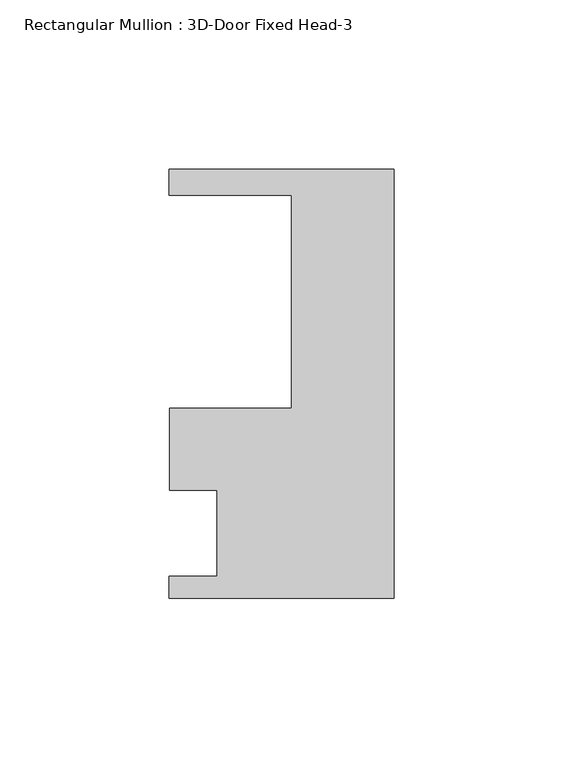
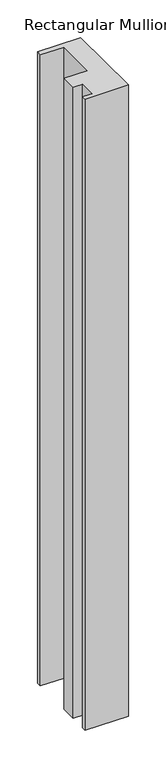
"""IFC4 building model written with IfcOpenShell, lengths in millimetres: member geometry, Rectangular Mullion : 3D-Door Fixed Head-3."""

from ifc_helpers import new_model, si_unit, frame, origin, place, context, project, spatial, polyline, outline, extrude, source, transform, mapped, element, save


def rectangular_mullion_3d_door_fixed_head_3_c7bcafb0(model_context):
    return source(origin(), model_context, "Body", "SweptSolid", [
        extrude(outline(polyline([(0.0, 53.9750004), (0.0, -73.0250004), (-66.6749995, -73.0250004), (-66.6749995, -66.4463651), (-52.3874994, -66.4463651), (-52.3874994, -41.0463651), (-66.4209994, -41.0463651), (-66.4209994, -16.8593135), (-30.3529994, -16.8593135), (-30.3529994, 46.1623786), (-66.6749994, 46.1623786), (-66.6749994, 53.9750004), (0.0, 53.9750004)])), frame((0.0, 0.0, -1025.9141288), z_axis=(0.0, 0.0, 1.0), x_axis=(1.0, 0.0, 0.0)), (0.0, 0.0, 1.0), 1025.9141288),
    ])


if __name__ == "__main__":
    model = new_model("IFC4")
    model_context = context("Model", 3, world=origin())
    ifc_project = project(units=[si_unit("LENGTHUNIT", "METRE", prefix="MILLI")], contexts=[model_context])
    site = spatial("IfcSite", under=ifc_project)
    building = spatial("IfcBuilding", under=site)
    placement = place(None, origin())
    rectangular_mullion_3d_door_fixed_head_3_shape = rectangular_mullion_3d_door_fixed_head_3_c7bcafb0(model_context)
    element("IfcMember", 1, ObjectType="Rectangular Mullion : 3D-Door Fixed Head-3", at=placement, inside=building, context=model_context, shape_type="MappedRepresentation", body=[
        mapped(rectangular_mullion_3d_door_fixed_head_3_shape, transform((0.0, 0.0, 0.0), x_axis=(1.0, 0.0, 0.0), y_axis=(0.0, 1.0, 0.0), z_axis=(0.0, 0.0, 1.0))),
    ])
    save(model, "model.ifc")
